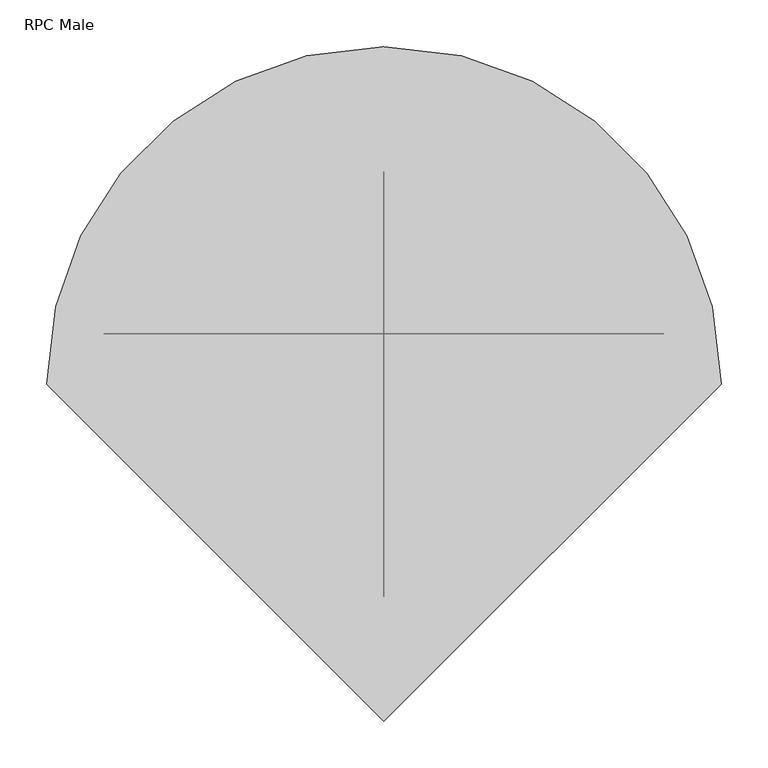
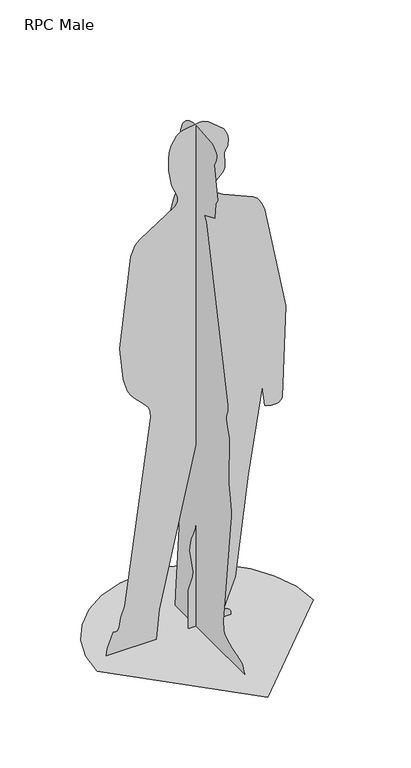
"""IFC4 building model written with IfcOpenShell, lengths in millimetres: proxy geometry, RPC Male."""

from ifc_helpers import new_model, si_unit, origin, place, context, project, spatial, triangles, source, transform, mapped, element, save


def rpc_male_2293c1c2(model_context):
    return source(origin(), model_context, "Body", "Tessellation", [
        triangles([(117.1497625, 54.2191878, 0.0), (117.165114, 54.2191878, 5.966884), (116.2256546, 54.2191878, 11.2908261), (114.1989433, 54.2191878, 16.0246055), (110.9487329, 54.2191878, 20.2200412), (106.3425824, 54.2191878, 23.929912), (92.5231679, 54.2191878, 30.1059908), (131.4700911, 54.2191878, 129.0201952), (175.160384, 54.2191878, 475.7577699), (222.3820656, 54.2191878, 767.9402624), (230.1654931, 54.2191878, 699.5130438), (235.7139916, 54.2191878, 696.8031075), (252.8133658, 54.2191878, 693.0701958), (271.5671084, 54.2191878, 693.4223545), (279.1845396, 54.2191878, 695.8175571), (284.3597324, 54.2191878, 700.0600307), (288.7941274, 54.2191878, 709.0151527), (300.0379179, 54.2191878, 1027.7789806), (230.605964, 54.2191878, 1391.1553471), (226.4230072, 54.2191878, 1402.4029163), (221.6911376, 54.2191878, 1413.4711361), (216.4583719, 54.2191878, 1423.8830006), (210.7697657, 54.2191878, 1433.1663002), (204.6733355, 54.2191878, 1440.846064), (189.6342462, 54.2191878, 1451.6244759), (89.8842301, 54.2191878, 1494.9818584), (71.7475101, 54.2191878, 1507.2120712), (63.0092581, 54.2191878, 1520.5324791), (61.6725165, 54.2191878, 1534.6916439), (63.8671545, 54.2191878, 1545.3260239), (68.5855801, 54.2191878, 1553.4050365), (87.7951498, 54.2191878, 1572.0062267), (92.5231679, 54.2191878, 1579.558382), (95.9144489, 54.2191878, 1589.6909031), (97.2060852, 54.2191878, 1598.307383), (95.4739871, 54.2191878, 1641.5370117), (96.3318835, 54.2191878, 1644.5147369), (97.9843353, 54.2191878, 1647.8877869), (100.1204422, 54.2191878, 1651.4978863), (102.4302303, 54.2191878, 1655.1866146), (104.5999198, 54.2191878, 1658.796714), (106.3205089, 54.2191878, 1662.1697639), (107.2791622, 54.2191878, 1665.1473438), (108.4230241, 54.2191878, 1683.4299488), (105.9731282, 54.2191878, 1699.5687893), (100.5906533, 54.2191878, 1713.7221405), (92.9406024, 54.2191878, 1726.0511845), (41.9073348, 54.2191878, 1768.6821579), (23.8377892, 54.2191878, 1776.4329929), (13.1083364, 54.2191878, 1777.9990311), (-45.7764982, 54.2191878, 1768.2964256), (-52.0926824, 54.2191878, 1765.493399), (-63.2558818, 54.2191878, 1755.9902), (-81.7812454, 54.2191878, 1728.0606548), (-88.7451645, 54.2191878, 1704.5990055), (-91.0789519, 54.2191878, 1685.1360947), (-90.9474828, 54.2191878, 1642.2932156), (-81.6065922, 54.2191878, 1585.4619461), (-62.4047029, 54.2191878, 1543.9662231), (-60.5372932, 54.2191878, 1533.9488113), (-60.9470475, 54.2191878, 1523.4833164), (-69.4089311, 54.2191878, 1508.7935154), (-187.9491746, 54.2191878, 1431.6194469), (-202.6111248, 54.2191878, 1417.2347145), (-217.8862644, 54.2191878, 1383.1905716), (-254.1088536, 54.2191878, 1069.0529875), (-242.3641308, 54.2191878, 957.3557356), (-229.1732572, 54.2191878, 912.5561445), (-220.0530835, 54.2191878, 895.7638556), (-208.0070346, 54.2191878, 880.683526), (-194.421781, 54.2191878, 866.7787062), (-180.6848833, 54.2191878, 853.5149082), (-168.1830301, 54.2191878, 840.3566271), (-158.3057078, 54.2191878, 826.7666136), (-152.4386241, 54.2191878, 812.210162), (-150.4445507, 54.2191878, 791.5928885), (-238.0266593, 54.2191878, 154.0622895), (-251.6368751, 54.2191878, 116.8321311), (-256.9963227, 54.2191878, 85.112065), (-259.9471418, 54.2191878, 78.4667312), (-263.4036714, 54.2191878, 74.7338331), (-267.3256159, 54.2191878, 73.249308), (-271.6697911, 54.2191878, 73.3510278), (-276.3949388, 54.2191878, 74.3758971), (-297.1715594, 54.2191878, 23.3147992), (-300.0369731, 54.2191878, 0.0), (-131.8280271, 54.2191878, 0.0), (-122.3287977, 54.2191878, 103.0616598), (12.8367653, 54.2191878, 700.0600307), (32.6518496, 54.2191878, 465.9111689), (30.5454943, 54.2191878, 452.1474014), (28.5399004, 54.2191878, 446.8954328), (9.3111413, 54.2191878, 418.9975353), (6.9341754, 54.2191878, 413.7800849), (-0.9020378, 54.2191878, 348.2758347), (-3.9440163, 54.2191878, 338.8303356), (-7.6318158, 54.2191878, 329.4097987), (-11.50674, 54.2191878, 320.0535748), (-15.1043356, 54.2191878, 310.8019229), (-17.9659058, 54.2191878, 301.695175), (-20.1922132, 54.2191878, 275.8287669), (-9.4637199, 54.2191878, 194.8219382), (-10.7735941, 54.2191878, 177.672658), (-25.5305478, 54.2191878, 136.3535685), (-26.3020782, 54.2191878, 0.0), (0.0, 171.2566797, 45.1949748), (0.0, 150.8744572, 290.6394545), (0.0, 156.0131879, 413.7062159), (0.0, 155.0151928, 426.2857896), (0.0, 142.9451629, 479.8706729), (0.0, 142.1841901, 491.5443789), (0.0, 143.2100177, 503.0204226), (0.0, 144.0477573, 505.2448145), (0.0, 145.7117273, 508.1735601), (0.0, 147.8756668, 511.5293146), (0.0, 150.2142413, 515.0357503), (0.0, 152.4002543, 518.4145411), (0.0, 154.1093252, 521.3884149), (0.0, 155.0151928, 523.6799538), (0.0, 156.6388583, 713.2959961), (0.0, 149.1126098, 780.4469118), (0.0, 210.0423755, 781.4046295), (0.0, 219.9446417, 780.4469118), (0.0, 227.680107, 923.8393221), (0.0, 210.5087533, 1326.6326866), (0.0, 200.0249637, 1381.4661129), (0.0, 183.9207141, 1432.730571), (0.0, 173.3611115, 1455.0196175), (0.0, 160.917794, 1474.0113361), (0.0, 124.7335928, 1511.6867981), (0.0, 116.9866274, 1522.7635929), (0.0, 111.1137846, 1535.6003094), (0.0, 107.7935203, 1550.7458965), (0.0, 109.4843601, 1573.6174656), (0.0, 138.1806735, 1647.6459412), (0.0, 144.3653887, 1674.2829781), (0.0, 143.2320912, 1701.9773632), (0.0, 131.4048335, 1730.7783669), (0.0, 113.8083785, 1751.5875618), (0.0, 93.3148529, 1763.99538), (0.0, 70.4587489, 1769.8078159), (0.0, 45.7764982, 1770.831736), (0.0, -33.8705593, 1763.2431004), (0.0, -35.8723153, 1763.9588997), (0.0, -40.3066967, 1762.44562), (0.0, -46.2419131, 1759.1386997), (0.0, -52.7442597, 1754.4721241), (0.0, -58.8829157, 1748.8843838), (0.0, -63.7241718, 1742.8080105), (0.0, -66.335286, 1736.6809135), (0.0, -66.7661509, 1728.2939255), (0.0, -65.1444021, 1720.0191399), (0.0, -62.1926292, 1712.2864723), (0.0, -55.197998, 1700.1657005), (0.0, -51.5783288, 1695.3617786), (0.0, -72.2378736, 1580.259938), (0.0, -61.7953469, 1563.4858166), (0.0, -54.5483374, 1508.477837), (0.0, 4.4967544, 1482.8657375), (0.0, -4.8441351, 1466.1626873), (0.0, -131.2647348, 892.5971157), (0.0, -131.4038797, 884.7388018), (0.0, -130.5335022, 877.3190512), (0.0, -128.9798907, 870.3820473), (0.0, -127.0664173, 863.969866), (0.0, -125.1174447, 858.1287254), (0.0, -123.4573081, 852.8997568), (0.0, -122.4103698, 848.3272161), (0.0, -121.9343996, 836.2034649), (0.0, -123.6626643, 824.5594809), (0.0, -138.1893122, 779.9863295), (0.0, -140.1190999, 768.640801), (0.0, -134.7798001, 638.2848043), (0.0, -137.167327, 618.123317), (0.0, -142.9921803, 588.3896667), (0.0, -150.2622217, 530.9432822), (0.0, -150.5261227, 510.8144237), (0.0, -148.9725021, 491.2152566), (0.0, -104.7409814, 115.2804271), (0.0, -107.6543755, 83.9307781), (0.0, -113.001342, 72.9595047), (0.0, -123.9073623, 63.6781126), (0.0, -138.4752776, 55.9560912), (0.0, -154.8098456, 49.6658184), (0.0, -171.015815, 44.6767788), (0.0, -185.196036, 40.8613549), (0.0, -195.4572011, 38.0899852), (0.0, -202.9930601, 35.5086225), (0.0, -208.9820114, 32.4771987), (0.0, -213.7647318, 28.6934384), (0.0, -217.6847506, 23.8550619), (0.0, -221.0817816, 17.6607486), (0.0, -224.3003351, 9.8101411), (0.0, -227.680107, 0.0), (0.0, 172.9494361, 0.0), (361.2440838, 0.0, 0.0), (351.6939763, 82.7734814, 0.0), (324.4956365, 158.7874372, 0.0), (281.8263478, 225.8635391, 0.0), (225.864502, 281.8263478, 0.0), (158.7874372, 324.4946554, 0.0), (82.7734814, 351.6939763, 0.0), (0.0, 361.2440838, 0.0), (-82.7734814, 351.6939763, 0.0), (-158.7874372, 324.4956365, 0.0), (-225.864502, 281.8263478, 0.0), (-281.8263478, 225.8635391, 0.0), (-324.4956365, 158.7874372, 0.0), (-351.6939763, 82.7734814, 0.0), (-361.2440838, 0.0, 0.0), (0.0, -361.2440838, 0.0)], [[85, 86, 87], [105, 1, 2], [105, 2, 3], [105, 3, 4], [105, 4, 5], [105, 5, 6], [105, 6, 7], [85, 87, 88], [104, 105, 7], [104, 7, 8], [103, 104, 8], [102, 103, 8], [102, 8, 9], [101, 102, 9], [100, 101, 9], [99, 100, 9], [98, 99, 9], [97, 98, 9], [96, 97, 9], [95, 96, 9], [94, 95, 9], [93, 94, 9], [92, 93, 9], [91, 92, 9], [90, 91, 9], [90, 9, 10], [89, 90, 10], [83, 84, 85], [10, 11, 12], [10, 12, 13], [10, 13, 14], [10, 14, 15], [10, 15, 16], [10, 16, 17], [10, 17, 18], [89, 10, 18], [89, 18, 19], [89, 19, 20], [89, 20, 21], [89, 21, 22], [89, 22, 23], [89, 23, 24], [89, 24, 25], [89, 25, 26], [89, 26, 27], [89, 27, 28], [82, 83, 85], [82, 85, 88], [81, 82, 88], [80, 81, 88], [79, 80, 88], [78, 79, 88], [77, 78, 88], [76, 77, 88], [76, 88, 89], [76, 89, 28], [75, 76, 28], [74, 75, 28], [73, 74, 28], [72, 73, 28], [71, 72, 28], [70, 71, 28], [69, 70, 28], [68, 69, 28], [67, 68, 28], [66, 67, 28], [65, 66, 28], [64, 65, 28], [63, 64, 28], [62, 63, 28], [61, 62, 28], [61, 28, 29], [60, 61, 29], [59, 60, 29], [59, 29, 30], [59, 30, 31], [58, 59, 31], [57, 58, 31], [57, 31, 32], [57, 32, 33], [57, 33, 34], [57, 34, 35], [57, 35, 36], [56, 57, 36], [56, 36, 37], [55, 56, 37], [54, 55, 37], [53, 54, 37], [52, 53, 37], [51, 52, 37], [50, 51, 37], [49, 50, 37], [48, 49, 37], [47, 48, 37], [47, 37, 38], [46, 47, 38], [45, 46, 38], [44, 45, 38], [43, 44, 38], [43, 38, 39], [43, 39, 40], [43, 40, 41], [43, 41, 42], [193, 194, 195], [192, 193, 195], [191, 192, 195], [190, 191, 195], [189, 190, 195], [188, 189, 195], [187, 188, 195], [186, 187, 195], [185, 186, 195], [184, 185, 195], [183, 184, 195], [182, 183, 195], [181, 182, 195], [181, 195, 106], [180, 181, 106], [179, 180, 106], [122, 123, 124], [179, 106, 107], [178, 179, 107], [178, 107, 108], [178, 108, 109], [178, 109, 110], [178, 110, 111], [177, 178, 111], [177, 111, 112], [176, 177, 112], [175, 176, 112], [175, 112, 113], [174, 175, 113], [174, 113, 114], [174, 114, 115], [174, 115, 116], [173, 174, 116], [173, 116, 117], [173, 117, 118], [173, 118, 119], [173, 119, 120], [173, 120, 121], [172, 173, 121], [171, 172, 121], [170, 171, 121], [169, 170, 121], [168, 169, 121], [167, 168, 121], [157, 158, 159], [166, 167, 121], [165, 166, 121], [164, 165, 121], [163, 164, 121], [162, 163, 121], [161, 162, 121], [121, 122, 124], [160, 161, 121], [160, 121, 124], [160, 124, 125], [160, 125, 126], [160, 126, 127], [160, 127, 128], [160, 128, 129], [159, 160, 129], [159, 129, 130], [159, 130, 131], [159, 131, 132], [157, 159, 132], [157, 132, 133], [157, 133, 134], [156, 157, 134], [155, 156, 134], [155, 134, 135], [155, 135, 136], [155, 136, 137], [155, 137, 138], [155, 138, 139], [155, 139, 140], [155, 140, 141], [155, 141, 142], [155, 142, 143], [154, 155, 143], [153, 154, 143], [152, 153, 143], [151, 152, 143], [150, 151, 143], [149, 150, 143], [148, 149, 143], [147, 148, 143], [146, 147, 143], [145, 146, 143], [144, 145, 143], [210, 211, 196], [209, 210, 196], [209, 196, 197], [208, 209, 197], [208, 197, 198], [208, 198, 199], [207, 208, 199], [206, 207, 199], [206, 199, 200], [206, 200, 201], [206, 201, 202], [206, 202, 203], [206, 203, 204], [206, 204, 205]], closed=False),
    ])


if __name__ == "__main__":
    model = new_model("IFC4")
    model_context = context("Model", 3, world=origin())
    ifc_project = project(units=[si_unit("LENGTHUNIT", "METRE", prefix="MILLI")], contexts=[model_context])
    site = spatial("IfcSite", under=ifc_project)
    building = spatial("IfcBuilding", under=site)
    placement = place(None, origin())
    rpc_male_shape = rpc_male_2293c1c2(model_context)
    element("IfcBuildingElementProxy", 1, Name="RPC Male", ObjectType="RPC Male", at=placement, inside=building, context=model_context, shape_type="MappedRepresentation", body=[
        mapped(rpc_male_shape, transform((0.0, 0.0, 0.0), x_axis=(1.0, 0.0, 0.0), y_axis=(0.0, 1.0, 0.0), z_axis=(0.0, 0.0, 1.0))),
    ])
    save(model, "model.ifc")
